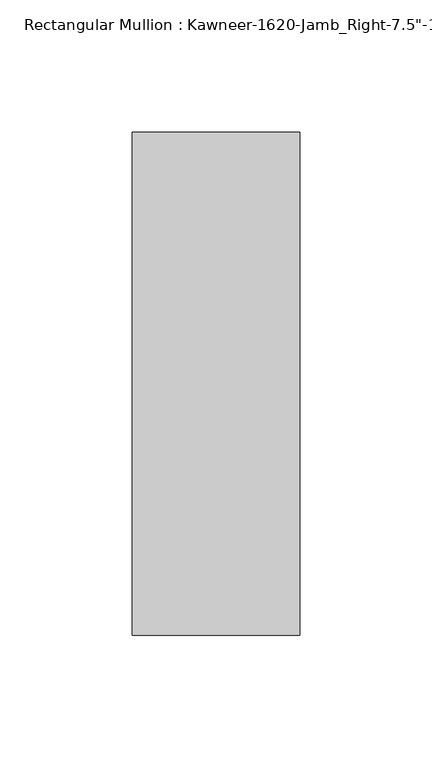
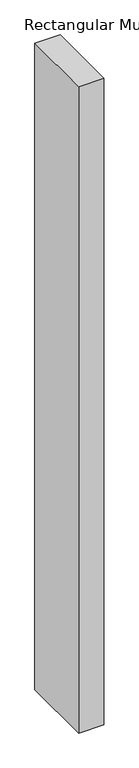
"""IFC4 building model written with IfcOpenShell, lengths in millimetres: member geometry."""

from ifc_helpers import new_model, si_unit, frame, origin, place, context, project, spatial, polyline, outline, extrude, source, transform, mapped, element, save


def member_8472f0b1(model_context):
    return source(origin(), model_context, "Body", "SweptSolid", [
        extrude(outline(polyline([(-63.5, 28.575), (0.0, 28.575), (0.0, -161.925), (-63.5, -161.925), (-63.5, 28.575)])), frame((0.0, 0.0, -1720.85), z_axis=(0.0, 0.0, 1.0), x_axis=(1.0, 0.0, 0.0)), (0.0, 0.0, 1.0), 1720.85),
    ])


if __name__ == "__main__":
    model = new_model("IFC4")
    model_context = context("Model", 3, world=origin())
    ifc_project = project(units=[si_unit("LENGTHUNIT", "METRE", prefix="MILLI")], contexts=[model_context])
    site = spatial("IfcSite", under=ifc_project)
    building = spatial("IfcBuilding", under=site)
    placement = place(None, origin())
    member_shape = member_8472f0b1(model_context)
    element("IfcMember", 1, ObjectType="Rectangular Mullion : Kawneer-1620-Jamb_Right-7.5\"-1/4\"Infill", at=placement, inside=building, context=model_context, shape_type="MappedRepresentation", body=[
        mapped(member_shape, transform((0.0, 0.0, 0.0), x_axis=(1.0, 0.0, 0.0), y_axis=(0.0, 1.0, 0.0), z_axis=(0.0, 0.0, 1.0))),
    ])
    save(model, "model.ifc")
